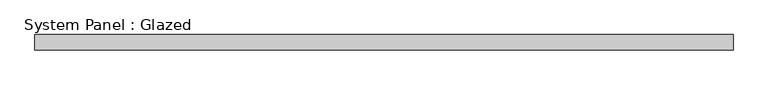
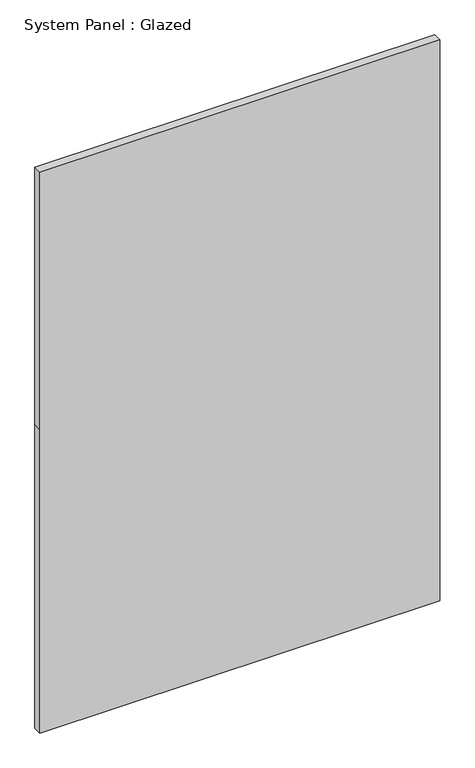
"""IFC4 building model written with IfcOpenShell, lengths in millimetres: plate geometry, System Panel : Glazed."""

from ifc_helpers import new_model, si_unit, frame, origin, place, context, project, spatial, polyline, outline, extrude, source, transform, mapped, element, save


def system_panel_glazed_805d2905(model_context):
    return source(origin(), model_context, "Body", "SweptSolid", [
        extrude(outline(polyline([(0.0, -570.0), (0.0, 570.0), (915.0, 570.0), (1690.0, 570.0), (1690.0, -570.0), (915.0, -570.0), (0.0, -570.0)])), frame((0.0, -49.5, 0.0), z_axis=(0.0, 1.0, 0.0), x_axis=(0.0, 0.0, 1.0)), (0.0, 0.0, 1.0), 25.0),
    ])


if __name__ == "__main__":
    model = new_model("IFC4")
    model_context = context("Model", 3, world=origin())
    ifc_project = project(units=[si_unit("LENGTHUNIT", "METRE", prefix="MILLI")], contexts=[model_context])
    site = spatial("IfcSite", under=ifc_project)
    building = spatial("IfcBuilding", under=site)
    placement = place(None, origin())
    system_panel_glazed_shape = system_panel_glazed_805d2905(model_context)
    element("IfcPlate", 1, ObjectType="System Panel : Glazed", at=placement, inside=building, context=model_context, shape_type="MappedRepresentation", body=[
        mapped(system_panel_glazed_shape, transform((0.0, 0.0, 0.0), x_axis=(1.0, 0.0, 0.0), y_axis=(0.0, 1.0, 0.0), z_axis=(0.0, 0.0, 1.0))),
    ])
    save(model, "model.ifc")
